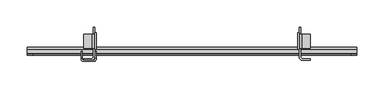
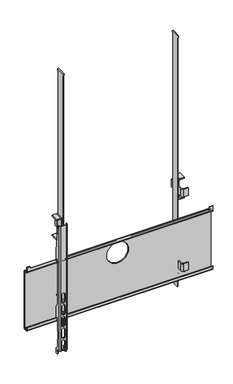
"""IFC4 building model written with IfcOpenShell, lengths in millimetres: furniture geometry."""

from ifc_helpers import new_model, si_unit, point, frame, frame_2d, origin, place, context, project, spatial, polyline, circle_curve, trimmed, segment, composite_curve, outline, extrude, source, transform, mapped, element, save
from ifc_brep_helpers import plane_surface, cylinder_surface, revolved_surface, advanced_brep


def furniture_d405d8c3(model_context):
    return source(origin(), model_context, "Body", "SolidModel", [
        advanced_brep(
        [(-188.4240729, -32.963622, 1415.6279085), (-190.424078, -34.9636271, 1415.6279085), (-209.4240856, -34.9636271, 1415.6279085), (-211.4240862, -32.9636266, 1415.6279085), (-211.4240862, -29.9636247, 1415.6279085), (-213.4240731, -29.9636247, 1415.6279085), (-213.4240731, -32.9636266, 1415.6279085), (-209.424072, -36.9636277, 1415.6279085), (-190.424078, -36.9636277, 1415.6279085), (-186.424086, -32.9636356, 1415.6279085), (-186.424086, -29.9636247, 1415.6279085), (-188.4240729, -29.9636247, 1415.6279085), (-213.4240731, -17.9636269, 977.3279177), (-211.4240862, -17.9636269, 977.3279177), (-211.4240862, -24.9636266, 977.3279177), (-213.4240731, -24.9636266, 977.3279177), (-188.4240729, -17.9636269, 977.3279177), (-186.424086, -17.9636269, 977.3279177), (-186.424086, -24.9636266, 977.3279177), (-188.4240729, -24.9636266, 977.3279177), (-186.424086, -32.9636356, 991.8279774), (-186.424086, -26.9636726, 991.8279774), (-186.424086, -22.963626, 987.8279308), (-186.424086, -22.963626, 983.3279148), (-186.424086, -26.9636272, 983.3279148), (-186.424086, -26.9636272, 979.3279182), (-186.424086, -17.9636269, 993.2278975), (-186.424086, -26.4636259, 1001.7278977), (-186.424086, -26.4636259, 1029.7697004), (-186.424086, -29.4636267, 1033.1510365), (-186.424086, -29.4636267, 1055.2279593), (-186.424086, -26.4636259, 1055.2279593), (-186.424086, -26.4636259, 1101.7279552), (-186.424086, -23.4636273, 1101.7279552), (-186.424086, -23.4636273, 1093.4779501), (-186.424086, -17.9636269, 1093.4779501), (-186.424086, -17.9636269, 1135.0055308), (-186.424086, -26.4636259, 1149.7279041), (-186.424086, -26.4636259, 1299.7278608), (-186.424086, -23.4636273, 1299.7278608), (-186.424086, -23.4636273, 1291.4779284), (-186.424086, -17.9636269, 1291.4779284), (-186.424086, -17.9636269, 1325.6279783), (-188.4240729, -17.9636269, 993.2278975), (-188.4240729, -17.9636269, 1093.4779501), (-188.4240729, -17.9636269, 1135.0055308), (-188.4240729, -17.9636269, 1291.4779284), (-188.4240729, -17.9636269, 1325.6279783), (-188.4240729, -23.4636273, 1291.4779284), (-188.4240729, -23.4636273, 1299.7278608), (-188.4240729, -26.4636259, 1299.7278608), (-188.4240729, -26.4636259, 1149.7279041), (-188.4240729, -23.4636273, 1093.4779501), (-188.4240729, -23.4636273, 1101.7279552), (-188.4240729, -26.4636259, 1101.7279552), (-188.4240729, -26.4636259, 1055.2279593), (-188.4240729, -29.4636267, 1055.2279593), (-188.4240729, -29.4636267, 1033.1510365), (-188.4240729, -26.4636259, 1029.7697004), (-188.4240729, -26.4636259, 1001.7278977), (-188.4240729, -26.9636272, 979.3279182), (-188.4240729, -26.9636272, 983.3279148), (-188.4240729, -22.963626, 983.3279148), (-188.4240729, -22.963626, 987.8279308), (-188.4240729, -26.9636726, 991.8279774), (-188.4240729, -32.963622, 991.8279774), (-190.424078, -34.9636271, 991.8279774), (-209.4240856, -34.9636271, 991.8279774), (-195.6740846, -34.9636271, 1157.4278984), (-195.6740846, -34.9636271, 1182.2279108), (-204.1740745, -34.9636271, 1182.2279108), (-204.1740745, -34.9636271, 1157.4278984), (-195.6740846, -34.9636271, 1117.4279417), (-195.6740846, -34.9636271, 1142.2279541), (-204.1740745, -34.9636271, 1142.2279541), (-204.1740745, -34.9636271, 1117.4279417), (-195.6740846, -34.9636271, 1077.4279123), (-195.6740846, -34.9636271, 1102.2279247), (-204.1740745, -34.9636271, 1102.2279247), (-204.1740745, -34.9636271, 1077.4279123), (-195.6740846, -34.9636271, 1037.427883), (-195.6740846, -34.9636271, 1062.2278954), (-204.1740745, -34.9636271, 1062.2278954), (-204.1740745, -34.9636271, 1037.427883), (-195.6740846, -34.9636271, 997.4279263), (-195.6740846, -34.9636271, 1022.2279387), (-204.1740745, -34.9636271, 1022.2279387), (-204.1740745, -34.9636271, 997.4279263), (-211.4240862, -32.9636266, 991.8279774), (-211.4240862, -26.9636726, 991.8279774), (-211.4240862, -22.963626, 987.8279308), (-211.4240862, -22.963626, 983.3279148), (-211.4240862, -26.9636272, 983.3279148), (-211.4240862, -26.9636272, 979.3279182), (-211.4240862, -17.9636269, 993.2278975), (-211.4240862, -26.4636259, 1001.7278977), (-211.4240862, -26.4636259, 1029.7697004), (-211.4240862, -29.4636267, 1033.1510365), (-211.4240862, -29.4636267, 1055.2279593), (-211.4240862, -26.4636259, 1055.2279593), (-211.4240862, -26.4636259, 1101.7279552), (-211.4240862, -23.4636273, 1101.7279552), (-211.4240862, -23.4636273, 1093.4779501), (-211.4240862, -17.9636269, 1093.4779501), (-211.4240862, -17.9636269, 1135.0055308), (-211.4240862, -26.4636259, 1149.7279041), (-211.4240862, -26.4636259, 1299.7278608), (-211.4240862, -23.4636273, 1299.7278608), (-211.4240862, -23.4636273, 1291.4779284), (-211.4240862, -17.9636269, 1291.4779284), (-211.4240862, -17.9636269, 1325.6279783), (-213.4240731, -17.9636269, 993.2278975), (-213.4240731, -17.9636269, 1093.4779501), (-213.4240731, -17.9636269, 1135.0055308), (-213.4240731, -17.9636269, 1291.4779284), (-213.4240731, -17.9636269, 1325.6279783), (-213.4240731, -23.4636273, 1291.4779284), (-213.4240731, -23.4636273, 1299.7278608), (-213.4240731, -26.4636259, 1299.7278608), (-213.4240731, -26.4636259, 1149.7279041), (-213.4240731, -23.4636273, 1093.4779501), (-213.4240731, -23.4636273, 1101.7279552), (-213.4240731, -26.4636259, 1101.7279552), (-213.4240731, -26.4636259, 1055.2279593), (-213.4240731, -29.4636267, 1055.2279593), (-213.4240731, -29.4636267, 1033.1510365), (-213.4240731, -26.4636259, 1029.7697004), (-213.4240731, -26.4636259, 1001.7278977), (-213.4240731, -26.9636272, 979.3279182), (-213.4240731, -26.9636272, 983.3279148), (-213.4240731, -22.963626, 983.3279148), (-213.4240731, -22.963626, 987.8279308), (-213.4240731, -26.9636726, 991.8279774), (-213.4240731, -32.9636266, 991.8279774), (-209.424072, -36.9636277, 991.8279774), (-190.424078, -36.9636277, 991.8279774), (-195.6740846, -36.9636277, 1182.2279108), (-195.6740846, -36.9636277, 1157.4278984), (-204.1740745, -36.9636277, 1157.4278984), (-204.1740745, -36.9636277, 1182.2279108), (-195.6740846, -36.9636277, 1142.2279541), (-195.6740846, -36.9636277, 1117.4279417), (-204.1740745, -36.9636277, 1117.4279417), (-204.1740745, -36.9636277, 1142.2279541), (-195.6740846, -36.9636277, 1102.2279247), (-195.6740846, -36.9636277, 1077.4279123), (-204.1740745, -36.9636277, 1077.4279123), (-204.1740745, -36.9636277, 1102.2279247), (-195.6740846, -36.9636277, 1062.2278954), (-195.6740846, -36.9636277, 1037.427883), (-204.1740745, -36.9636277, 1037.427883), (-204.1740745, -36.9636277, 1062.2278954), (-195.6740846, -36.9636277, 1022.2279387), (-195.6740846, -36.9636277, 997.4279263), (-204.1740745, -36.9636277, 997.4279263), (-204.1740745, -36.9636277, 1022.2279387)],
        [
            (0, 1, circle_curve(frame((-190.424078, -32.963622, 1415.6279085), z_axis=(0.0, 0.0, -1.0), x_axis=(1.0, 0.0, 0.0)), 2.0000051)),
            (1, 2),
            (2, 3, circle_curve(frame((-209.4240856, -32.9636266, 1415.6279085), z_axis=(0.0, 0.0, -1.0), x_axis=(1.0, 0.0, 0.0)), 2.0000006)),
            (3, 4),
            (4, 5),
            (5, 6),
            (6, 7, circle_curve(frame((-209.424072, -32.9636266, 1415.6279085), z_axis=(0.0, 0.0, 1.0), x_axis=(1.0, 0.0, 0.0)), 4.0000011)),
            (7, 8),
            (8, 9, circle_curve(frame((-190.424078, -32.9636356, 1415.6279085), z_axis=(0.0, 0.0, 1.0), x_axis=(1.0, 0.0, 0.0)), 3.999992)),
            (9, 10),
            (10, 11),
            (11, 0),
            (12, 13),
            (13, 14),
            (14, 15),
            (15, 12),
            (16, 17),
            (17, 18),
            (18, 19),
            (19, 16),
            (9, 20),
            (20, 21),
            (21, 22, circle_curve(frame((-186.424086, -26.9636726, 987.8279308), z_axis=(-1.0, 0.0, 0.0), x_axis=(0.0, -1.0, 0.0)), 4.0000465)),
            (22, 23),
            (23, 24),
            (24, 25),
            (25, 18, circle_curve(frame((-186.424086, -24.9636266, 979.3279182), z_axis=(1.0, 0.0, 0.0), x_axis=(0.0, -1.0, 0.0)), 2.0000006)),
            (17, 26),
            (26, 27),
            (27, 28),
            (28, 29),
            (29, 30),
            (30, 31),
            (31, 32),
            (32, 33),
            (33, 34),
            (34, 35, circle_curve(frame((-186.424086, -20.7136271, 1093.4779501), z_axis=(1.0, 0.0, 0.0), x_axis=(0.0, -1.0, 0.0)), 2.7500002)),
            (35, 36),
            (36, 37),
            (37, 38),
            (38, 39),
            (39, 40),
            (40, 41, circle_curve(frame((-186.424086, -20.7136271, 1291.4779284), z_axis=(1.0, 0.0, 0.0), x_axis=(0.0, -1.0, 0.0)), 2.7500002)),
            (41, 42),
            (42, 10),
            (16, 43),
            (43, 26),
            (35, 44),
            (44, 45),
            (45, 36),
            (41, 46),
            (46, 47),
            (47, 42),
            (11, 47),
            (46, 48, circle_curve(frame((-188.4240729, -20.7136271, 1291.4779284), z_axis=(-1.0, 0.0, 0.0), x_axis=(0.0, -1.0, 0.0)), 2.7500002)),
            (48, 49),
            (49, 50),
            (50, 51),
            (51, 45),
            (44, 52, circle_curve(frame((-188.4240729, -20.7136271, 1093.4779501), z_axis=(-1.0, 0.0, 0.0), x_axis=(0.0, -1.0, 0.0)), 2.7500002)),
            (52, 53),
            (53, 54),
            (54, 55),
            (55, 56),
            (56, 57),
            (57, 58),
            (58, 59),
            (59, 43),
            (19, 60, circle_curve(frame((-188.4240729, -24.9636266, 979.3279182), z_axis=(-1.0, 0.0, 0.0), x_axis=(0.0, -1.0, 0.0)), 2.0000006)),
            (60, 61),
            (61, 62),
            (62, 63),
            (63, 64, circle_curve(frame((-188.4240729, -26.9636726, 987.8279308), z_axis=(1.0, 0.0, 0.0), x_axis=(0.0, -1.0, 0.0)), 4.0000465)),
            (64, 65),
            (65, 0),
            (65, 66, circle_curve(frame((-190.424078, -32.963622, 991.8279774), z_axis=(0.0, 0.0, -1.0), x_axis=(1.0, 0.0, 0.0)), 2.0000051)),
            (66, 1),
            (66, 67),
            (67, 2),
            (68, 69),
            (69, 70, circle_curve(frame((-199.9240796, -34.9636271, 1182.2279108), z_axis=(0.0, -1.0, 0.0), x_axis=(1.0, 0.0, 0.0)), 4.2499949)),
            (70, 71),
            (71, 68, circle_curve(frame((-199.9240796, -34.9636271, 1157.4278984), z_axis=(0.0, -1.0, 0.0), x_axis=(1.0, 0.0, 0.0)), 4.2499949)),
            (72, 73),
            (73, 74, circle_curve(frame((-199.9240796, -34.9636271, 1142.2279541), z_axis=(0.0, -1.0, 0.0), x_axis=(1.0, 0.0, 0.0)), 4.2499949)),
            (74, 75),
            (75, 72, circle_curve(frame((-199.9240796, -34.9636271, 1117.4279417), z_axis=(0.0, -1.0, 0.0), x_axis=(1.0, 0.0, 0.0)), 4.2499949)),
            (76, 77),
            (77, 78, circle_curve(frame((-199.9240796, -34.9636271, 1102.2279247), z_axis=(0.0, -1.0, 0.0), x_axis=(1.0, 0.0, 0.0)), 4.2499949)),
            (78, 79),
            (79, 76, circle_curve(frame((-199.9240796, -34.9636271, 1077.4279123), z_axis=(0.0, -1.0, 0.0), x_axis=(1.0, 0.0, 0.0)), 4.2499949)),
            (80, 81),
            (81, 82, circle_curve(frame((-199.9240796, -34.9636271, 1062.2278954), z_axis=(0.0, -1.0, 0.0), x_axis=(1.0, 0.0, 0.0)), 4.2499949)),
            (82, 83),
            (83, 80, circle_curve(frame((-199.9240796, -34.9636271, 1037.427883), z_axis=(0.0, -1.0, 0.0), x_axis=(1.0, 0.0, 0.0)), 4.2499949)),
            (84, 85),
            (85, 86, circle_curve(frame((-199.9240796, -34.9636271, 1022.2279387), z_axis=(0.0, -1.0, 0.0), x_axis=(1.0, 0.0, 0.0)), 4.2499949)),
            (86, 87),
            (87, 84, circle_curve(frame((-199.9240796, -34.9636271, 997.4279263), z_axis=(0.0, -1.0, 0.0), x_axis=(1.0, 0.0, 0.0)), 4.2499949)),
            (67, 88, circle_curve(frame((-209.4240856, -32.9636266, 991.8279774), z_axis=(0.0, 0.0, -1.0), x_axis=(1.0, 0.0, 0.0)), 2.0000006)),
            (88, 3),
            (88, 89),
            (89, 90, circle_curve(frame((-211.4240862, -26.9636726, 987.8279308), z_axis=(-1.0, 0.0, 0.0), x_axis=(0.0, -1.0, 0.0)), 4.0000465)),
            (90, 91),
            (91, 92),
            (92, 93),
            (93, 14, circle_curve(frame((-211.4240862, -24.9636266, 979.3279182), z_axis=(1.0, 0.0, 0.0), x_axis=(0.0, -1.0, 0.0)), 2.0000006)),
            (13, 94),
            (94, 95),
            (95, 96),
            (96, 97),
            (97, 98),
            (98, 99),
            (99, 100),
            (100, 101),
            (101, 102),
            (102, 103, circle_curve(frame((-211.4240862, -20.7136271, 1093.4779501), z_axis=(1.0, 0.0, 0.0), x_axis=(0.0, -1.0, 0.0)), 2.7500002)),
            (103, 104),
            (104, 105),
            (105, 106),
            (106, 107),
            (107, 108),
            (108, 109, circle_curve(frame((-211.4240862, -20.7136271, 1291.4779284), z_axis=(1.0, 0.0, 0.0), x_axis=(0.0, -1.0, 0.0)), 2.7500002)),
            (109, 110),
            (110, 4),
            (12, 111),
            (111, 94),
            (103, 112),
            (112, 113),
            (113, 104),
            (109, 114),
            (114, 115),
            (115, 110),
            (5, 115),
            (114, 116, circle_curve(frame((-213.4240731, -20.7136271, 1291.4779284), z_axis=(-1.0, 0.0, 0.0), x_axis=(0.0, -1.0, 0.0)), 2.7500002)),
            (116, 117),
            (117, 118),
            (118, 119),
            (119, 113),
            (112, 120, circle_curve(frame((-213.4240731, -20.7136271, 1093.4779501), z_axis=(-1.0, 0.0, 0.0), x_axis=(0.0, -1.0, 0.0)), 2.7500002)),
            (120, 121),
            (121, 122),
            (122, 123),
            (123, 124),
            (124, 125),
            (125, 126),
            (126, 127),
            (127, 111),
            (15, 128, circle_curve(frame((-213.4240731, -24.9636266, 979.3279182), z_axis=(-1.0, 0.0, 0.0), x_axis=(0.0, -1.0, 0.0)), 2.0000006)),
            (128, 129),
            (129, 130),
            (130, 131),
            (131, 132, circle_curve(frame((-213.4240731, -26.9636726, 987.8279308), z_axis=(1.0, 0.0, 0.0), x_axis=(0.0, -1.0, 0.0)), 4.0000465)),
            (132, 133),
            (133, 6),
            (133, 134, circle_curve(frame((-209.424072, -32.9636266, 991.8279774), z_axis=(0.0, 0.0, 1.0), x_axis=(1.0, 0.0, 0.0)), 4.0000011)),
            (134, 7),
            (134, 135),
            (135, 8),
            (136, 137),
            (137, 138, circle_curve(frame((-199.9240796, -36.9636277, 1157.4278984), z_axis=(0.0, 1.0, 0.0), x_axis=(1.0, 0.0, 0.0)), 4.2499949)),
            (138, 139),
            (139, 136, circle_curve(frame((-199.9240796, -36.9636277, 1182.2279108), z_axis=(0.0, 1.0, 0.0), x_axis=(1.0, 0.0, 0.0)), 4.2499949)),
            (140, 141),
            (141, 142, circle_curve(frame((-199.9240796, -36.9636277, 1117.4279417), z_axis=(0.0, 1.0, 0.0), x_axis=(1.0, 0.0, 0.0)), 4.2499949)),
            (142, 143),
            (143, 140, circle_curve(frame((-199.9240796, -36.9636277, 1142.2279541), z_axis=(0.0, 1.0, 0.0), x_axis=(1.0, 0.0, 0.0)), 4.2499949)),
            (144, 145),
            (145, 146, circle_curve(frame((-199.9240796, -36.9636277, 1077.4279123), z_axis=(0.0, 1.0, 0.0), x_axis=(1.0, 0.0, 0.0)), 4.2499949)),
            (146, 147),
            (147, 144, circle_curve(frame((-199.9240796, -36.9636277, 1102.2279247), z_axis=(0.0, 1.0, 0.0), x_axis=(1.0, 0.0, 0.0)), 4.2499949)),
            (148, 149),
            (149, 150, circle_curve(frame((-199.9240796, -36.9636277, 1037.427883), z_axis=(0.0, 1.0, 0.0), x_axis=(1.0, 0.0, 0.0)), 4.2499949)),
            (150, 151),
            (151, 148, circle_curve(frame((-199.9240796, -36.9636277, 1062.2278954), z_axis=(0.0, 1.0, 0.0), x_axis=(1.0, 0.0, 0.0)), 4.2499949)),
            (152, 153),
            (153, 154, circle_curve(frame((-199.9240796, -36.9636277, 997.4279263), z_axis=(0.0, 1.0, 0.0), x_axis=(1.0, 0.0, 0.0)), 4.2499949)),
            (154, 155),
            (155, 152, circle_curve(frame((-199.9240796, -36.9636277, 1022.2279387), z_axis=(0.0, 1.0, 0.0), x_axis=(1.0, 0.0, 0.0)), 4.2499949)),
            (135, 20, circle_curve(frame((-190.424078, -32.9636356, 991.8279774), z_axis=(0.0, 0.0, 1.0), x_axis=(1.0, 0.0, 0.0)), 3.999992)),
            (50, 38),
            (37, 51),
            (118, 106),
            (105, 119),
            (40, 48),
            (108, 116),
            (39, 49),
            (107, 117),
            (54, 32),
            (31, 55),
            (122, 100),
            (99, 123),
            (30, 56),
            (98, 124),
            (29, 57),
            (97, 125),
            (28, 58),
            (96, 126),
            (27, 59),
            (95, 127),
            (34, 52),
            (102, 120),
            (33, 53),
            (101, 121),
            (64, 21),
            (132, 89),
            (25, 60),
            (93, 128),
            (24, 61),
            (92, 129),
            (23, 62),
            (91, 130),
            (22, 63),
            (90, 131),
            (68, 137),
            (136, 69),
            (139, 70),
            (138, 71),
            (72, 141),
            (140, 73),
            (143, 74),
            (142, 75),
            (76, 145),
            (144, 77),
            (147, 78),
            (146, 79),
            (80, 149),
            (148, 81),
            (151, 82),
            (150, 83),
            (84, 153),
            (152, 85),
            (155, 86),
            (154, 87),
        ],
        [
            plane_surface(frame((-186.424086, -18.1390681, 1415.6279085), z_axis=(0.0, 0.0, 1.0), x_axis=(0.0, 1.0, 0.0))),
            plane_surface(frame((-186.424086, -18.1390681, 977.3279177), z_axis=(0.0, 0.0, -1.0), x_axis=(0.0, -1.0, 0.0))),
            plane_surface(frame((-186.424086, -32.9636356, 1415.6279085), z_axis=(1.0, 0.0, 0.0), x_axis=(0.0, 0.0, -1.0))),
            plane_surface(frame((-186.424086, -17.9636269, 1415.6279085), z_axis=(0.0, 1.0, 0.0), x_axis=(0.0, 0.0, -1.0))),
            plane_surface(frame((-188.4240729, -17.9636269, 1415.6279085), z_axis=(-1.0, 0.0, 0.0), x_axis=(0.0, 0.0, -1.0))),
            revolved_surface(polyline([(-188.4240729, -32.963622, 991.8279774), (-188.4240729, -32.963622, 1415.6279085)]), (-190.424078, -32.963622, 977.3279177), (0.0, 0.0, -1.0)),
            plane_surface(frame((-190.424078, -34.9636271, 1415.6279085), z_axis=(0.0, 1.0, 0.0), x_axis=(0.0, 0.0, -1.0))),
            revolved_surface(polyline([(-207.42408500000002, -32.9636266, 991.8279774), (-207.42408500000002, -32.9636266, 1415.6279085)]), (-209.4240856, -32.9636266, 977.3279177), (0.0, 0.0, -1.0)),
            plane_surface(frame((-211.4240862, -32.9636266, 1415.6279085), z_axis=(1.0, 0.0, 0.0), x_axis=(0.0, 0.0, -1.0))),
            plane_surface(frame((-211.4240862, -17.9636269, 1415.6279085), z_axis=(0.0, 1.0, 0.0), x_axis=(0.0, 0.0, -1.0))),
            plane_surface(frame((-213.4240731, -17.9636269, 1415.6279085), z_axis=(-1.0, 0.0, 0.0), x_axis=(0.0, 0.0, -1.0))),
            cylinder_surface(frame((-209.424072, -32.9636266, 977.3279177), z_axis=(0.0, 0.0, 1.0), x_axis=(1.0, 0.0, 0.0)), 4.0000011),
            plane_surface(frame((-209.424072, -36.9636277, 1415.6279085), z_axis=(0.0, -1.0, 0.0), x_axis=(0.0, 0.0, -1.0))),
            cylinder_surface(frame((-190.424078, -32.9636356, 977.3279177), z_axis=(0.0, 0.0, 1.0), x_axis=(1.0, 0.0, 0.0)), 3.999992),
            plane_surface(frame((226.6458366, -29.9636247, 1415.6279085), z_axis=(0.0, 0.9912278903845622, 0.13216379732653882), x_axis=(-1.0, 0.0, 0.0))),
            plane_surface(frame((226.6458366, -26.4636259, 1299.7278608), z_axis=(0.0, 1.0, 0.0), x_axis=(-1.0, 0.0, 0.0))),
            plane_surface(frame((226.6458366, -26.4636259, 1149.7279041), z_axis=(0.0, 0.8660245695453659, 0.5000014449416761), x_axis=(-1.0, 0.0, 0.0))),
            cylinder_surface(frame((0.0, -20.7136271, 1291.4779284), z_axis=(-1.0, 0.0, 0.0), x_axis=(0.0, -1.0, 0.0)), 2.7500002),
            plane_surface(frame((226.6458366, -23.4636273, 1291.4779284), z_axis=(0.0, -1.0, 0.0), x_axis=(-1.0, 0.0, 0.0))),
            plane_surface(frame((226.6458366, -23.4636273, 1299.7278608), z_axis=(0.0, 0.0, -1.0), x_axis=(-1.0, 0.0, 0.0))),
            plane_surface(frame((226.6458366, -26.4636259, 1101.7279552), z_axis=(0.0, 1.0, 0.0), x_axis=(-1.0, 0.0, 0.0))),
            plane_surface(frame((226.6458366, -26.4636259, 1055.2279593), z_axis=(0.0, 0.0, -1.0), x_axis=(-1.0, 0.0, 0.0))),
            plane_surface(frame((226.6458366, -29.4636267, 1055.2279593), z_axis=(0.0, 1.0, 0.0), x_axis=(-1.0, 0.0, 0.0))),
            plane_surface(frame((226.6458366, -29.4636267, 1033.1510365), z_axis=(0.0, 0.7480275709207617, 0.6636676526262109), x_axis=(-1.0, 0.0, 0.0))),
            plane_surface(frame((226.6458366, -26.4636259, 1029.7697004), z_axis=(0.0, 1.0, 0.0), x_axis=(-1.0, 0.0, 0.0))),
            plane_surface(frame((226.6458366, -26.4636259, 1001.7278977), z_axis=(0.0, 0.7071068328679035, 0.7071067295051878), x_axis=(-1.0, 0.0, 0.0))),
            cylinder_surface(frame((0.0, -20.7136271, 1093.4779501), z_axis=(-1.0, 0.0, 0.0), x_axis=(0.0, -1.0, 0.0)), 2.7500002),
            plane_surface(frame((226.6458366, -23.4636273, 1093.4779501), z_axis=(0.0, -1.0, 0.0), x_axis=(-1.0, 0.0, 0.0))),
            plane_surface(frame((226.6458366, -23.4636273, 1101.7279552), z_axis=(0.0, 0.0, -1.0), x_axis=(-1.0, 0.0, 0.0))),
            plane_surface(frame((226.6458366, -26.9636726, 991.8279774), z_axis=(0.0, 0.0, -1.0), x_axis=(-1.0, 0.0, 0.0))),
            cylinder_surface(frame((0.0, -24.9636266, 979.3279182), z_axis=(-1.0, 0.0, 0.0), x_axis=(0.0, -1.0, 0.0)), 2.0000006),
            plane_surface(frame((226.6458366, -26.9636272, 979.3279182), z_axis=(0.0, -1.0, 0.0), x_axis=(-1.0, 0.0, 0.0))),
            plane_surface(frame((226.6458366, -26.9636272, 983.3279148), z_axis=(0.0, 0.0, 1.0), x_axis=(-1.0, 0.0, 0.0))),
            plane_surface(frame((226.6458366, -22.963626, 983.3279148), z_axis=(0.0, -1.0, 0.0), x_axis=(-1.0, 0.0, 0.0))),
            revolved_surface(polyline([(-186.424086, -30.9637191, 987.8279308), (-188.4240729, -30.9637191, 987.8279308)]), (0.0, -26.9636726, 987.8279308), (1.0, 0.0, 0.0)),
            revolved_surface(polyline([(-211.4240862, -30.9637191, 987.8279308), (-213.4240731, -30.9637191, 987.8279308)]), (0.0, -26.9636726, 987.8279308), (1.0, 0.0, 0.0)),
            plane_surface(frame((-195.6740846, -43.4479611, 1157.4278984), z_axis=(-1.0, 0.0, 0.0), x_axis=(0.0, 1.0, 0.0))),
            revolved_surface(polyline([(-195.6740847, -36.9636277, 1182.2279108), (-195.6740847, -34.9636271, 1182.2279108)]), (-199.9240796, -32.0423365, 1182.2279108), (0.0, -1.0, 0.0)),
            plane_surface(frame((-204.1740745, -43.4479611, 1182.2279108), z_axis=(1.0, 0.0, 0.0), x_axis=(0.0, 1.0, 0.0))),
            revolved_surface(polyline([(-195.6740847, -36.9636277, 1157.4278984), (-195.6740847, -34.9636271, 1157.4278984)]), (-199.9240796, -32.0423365, 1157.4278984), (0.0, -1.0, 0.0)),
            plane_surface(frame((-195.6740846, -43.4479611, 1117.4279417), z_axis=(-1.0, 0.0, 0.0), x_axis=(0.0, 1.0, 0.0))),
            revolved_surface(polyline([(-195.6740847, -36.9636277, 1142.2279541), (-195.6740847, -34.9636271, 1142.2279541)]), (-199.9240796, 0.0, 1142.2279541), (0.0, -1.0, 0.0)),
            plane_surface(frame((-204.1740745, -43.4479611, 1142.2279541), z_axis=(1.0, 0.0, 0.0), x_axis=(0.0, 1.0, 0.0))),
            revolved_surface(polyline([(-195.6740847, -36.9636277, 1117.4279417), (-195.6740847, -34.9636271, 1117.4279417)]), (-199.9240796, 0.0, 1117.4279417), (0.0, -1.0, 0.0)),
            plane_surface(frame((-195.6740846, -43.4479611, 1077.4279123), z_axis=(-1.0, 0.0, 0.0), x_axis=(0.0, 1.0, 0.0))),
            revolved_surface(polyline([(-195.6740847, -36.9636277, 1102.2279247), (-195.6740847, -34.9636271, 1102.2279247)]), (-199.9240796, 0.0, 1102.2279247), (0.0, -1.0, 0.0)),
            plane_surface(frame((-204.1740745, -43.4479611, 1102.2279247), z_axis=(1.0, 0.0, 0.0), x_axis=(0.0, 1.0, 0.0))),
            revolved_surface(polyline([(-195.6740847, -36.9636277, 1077.4279123), (-195.6740847, -34.9636271, 1077.4279123)]), (-199.9240796, 0.0, 1077.4279123), (0.0, -1.0, 0.0)),
            plane_surface(frame((-195.6740846, -43.4479611, 1037.427883), z_axis=(-1.0, 0.0, 0.0), x_axis=(0.0, 1.0, 0.0))),
            revolved_surface(polyline([(-195.6740847, -36.9636277, 1062.2278954), (-195.6740847, -34.9636271, 1062.2278954)]), (-199.9240796, 0.0, 1062.2278954), (0.0, -1.0, 0.0)),
            plane_surface(frame((-204.1740745, -43.4479611, 1062.2278954), z_axis=(1.0, 0.0, 0.0), x_axis=(0.0, 1.0, 0.0))),
            revolved_surface(polyline([(-195.6740847, -36.9636277, 1037.427883), (-195.6740847, -34.9636271, 1037.427883)]), (-199.9240796, 0.0, 1037.427883), (0.0, -1.0, 0.0)),
            plane_surface(frame((-195.6740846, -43.4479611, 997.4279263), z_axis=(-1.0, 0.0, 0.0), x_axis=(0.0, 1.0, 0.0))),
            revolved_surface(polyline([(-195.6740847, -36.9636277, 1022.2279387), (-195.6740847, -34.9636271, 1022.2279387)]), (-199.9240796, 0.0, 1022.2279387), (0.0, -1.0, 0.0)),
            plane_surface(frame((-204.1740745, -43.4479611, 1022.2279387), z_axis=(1.0, 0.0, 0.0), x_axis=(0.0, 1.0, 0.0))),
            revolved_surface(polyline([(-195.6740847, -36.9636277, 997.4279263), (-195.6740847, -34.9636271, 997.4279263)]), (-199.9240796, 0.0, 997.4279263), (0.0, -1.0, 0.0)),
        ],
        [
            (0, [[1, 2, 3, 4, 5, 6, 7, 8, 9, 10, 11, 12]]),
            (1, [[13, 14, 15, 16]]),
            (1, [[17, 18, 19, 20]]),
            (2, [[-10, 21, 22, 23, 24, 25, 26, 27, -18, 28, 29, 30, 31, 32, 33, 34, 35, 36, 37, 38, 39, 40, 41, 42, 43, 44, 45]]),
            (3, [[-17, 46, 47, -28]]),
            (3, [[-38, 48, 49, 50]]),
            (3, [[-44, 51, 52, 53]]),
            (4, [[-12, 54, -52, 55, 56, 57, 58, 59, -49, 60, 61, 62, 63, 64, 65, 66, 67, 68, -46, -20, 69, 70, 71, 72, 73, 74, 75]]),
            (5, [[-1, -75, 76, 77]]),
            (6, [[-2, -77, 78, 79], [80, 81, 82, 83], [84, 85, 86, 87], [88, 89, 90, 91], [92, 93, 94, 95], [96, 97, 98, 99]]),
            (7, [[-3, -79, 100, 101]]),
            (8, [[-4, -101, 102, 103, 104, 105, 106, 107, -14, 108, 109, 110, 111, 112, 113, 114, 115, 116, 117, 118, 119, 120, 121, 122, 123, 124, 125]]),
            (9, [[-13, 126, 127, -108]]),
            (9, [[-118, 128, 129, 130]]),
            (9, [[-124, 131, 132, 133]]),
            (10, [[-6, 134, -132, 135, 136, 137, 138, 139, -129, 140, 141, 142, 143, 144, 145, 146, 147, 148, -126, -16, 149, 150, 151, 152, 153, 154, 155]]),
            (11, [[-7, -155, 156, 157]]),
            (12, [[-8, -157, 158, 159], [160, 161, 162, 163], [164, 165, 166, 167], [168, 169, 170, 171], [172, 173, 174, 175], [176, 177, 178, 179]]),
            (13, [[-9, -159, 180, -21]]),
            (14, [[-5, -125, -133, -134]]),
            (14, [[-11, -45, -53, -54]]),
            (15, [[181, -40, 182, -58]]),
            (15, [[183, -120, 184, -138]]),
            (16, [[-182, -39, -50, -59]]),
            (16, [[-184, -119, -130, -139]]),
            (17, [[185, -55, -51, -43]]),
            (17, [[186, -135, -131, -123]]),
            (18, [[-185, -42, 187, -56]]),
            (18, [[-186, -122, 188, -136]]),
            (19, [[-181, -57, -187, -41]]),
            (19, [[-183, -137, -188, -121]]),
            (20, [[189, -34, 190, -63]]),
            (20, [[191, -114, 192, -143]]),
            (21, [[-190, -33, 193, -64]]),
            (21, [[-192, -113, 194, -144]]),
            (22, [[-193, -32, 195, -65]]),
            (22, [[-194, -112, 196, -145]]),
            (23, [[-195, -31, 197, -66]]),
            (23, [[-196, -111, 198, -146]]),
            (24, [[-197, -30, 199, -67]]),
            (24, [[-198, -110, 200, -147]]),
            (25, [[-199, -29, -47, -68]]),
            (25, [[-200, -109, -127, -148]]),
            (26, [[201, -60, -48, -37]]),
            (26, [[202, -140, -128, -117]]),
            (27, [[-201, -36, 203, -61]]),
            (27, [[-202, -116, 204, -141]]),
            (28, [[-189, -62, -203, -35]]),
            (28, [[-191, -142, -204, -115]]),
            (29, [[205, -22, -180, -158, -156, -154, 206, -102, -100, -78, -76, -74]]),
            (30, [[207, -69, -19, -27]]),
            (30, [[208, -149, -15, -107]]),
            (31, [[-207, -26, 209, -70]]),
            (31, [[-208, -106, 210, -150]]),
            (32, [[-209, -25, 211, -71]]),
            (32, [[-210, -105, 212, -151]]),
            (33, [[-211, -24, 213, -72]]),
            (33, [[-212, -104, 214, -152]]),
            (34, [[-205, -73, -213, -23]]),
            (35, [[-206, -153, -214, -103]]),
            (36, [[215, -160, 216, -80]]),
            (37, [[-216, -163, 217, -81]]),
            (38, [[-217, -162, 218, -82]]),
            (39, [[-215, -83, -218, -161]]),
            (40, [[219, -164, 220, -84]]),
            (41, [[-220, -167, 221, -85]]),
            (42, [[-221, -166, 222, -86]]),
            (43, [[-219, -87, -222, -165]]),
            (44, [[223, -168, 224, -88]]),
            (45, [[-224, -171, 225, -89]]),
            (46, [[-225, -170, 226, -90]]),
            (47, [[-223, -91, -226, -169]]),
            (48, [[227, -172, 228, -92]]),
            (49, [[-228, -175, 229, -93]]),
            (50, [[-229, -174, 230, -94]]),
            (51, [[-227, -95, -230, -173]]),
            (52, [[231, -176, 232, -96]]),
            (53, [[-232, -179, 233, -97]]),
            (54, [[-233, -178, 234, -98]]),
            (55, [[-231, -99, -234, -177]]),
        ],
    ),
        advanced_brep(
        [(288.4141906, -25.9636269, 1290.7279287), (288.4141906, -21.9636258, 1286.7279276), (288.4141906, -14.9636499, 1286.7279276), (288.4141906, -12.9636266, 1284.7279043), (288.4141906, -12.9636266, 1092.7279232), (288.4141906, -14.9636499, 1090.7278999), (288.4141906, -21.9636258, 1090.7278999), (288.4141906, -23.9636263, 1092.7279005), (288.4141906, -23.9636263, 1100.7279436), (288.4141906, -25.9636269, 1100.7279436), (288.4141906, -25.9636269, 1092.7279232), (288.4141906, -21.9636258, 1088.7279493), (288.4141906, -14.9436578, 1088.7279493), (288.4141906, -10.9636261, 1092.7279232), (288.4141906, -10.9636261, 1284.7279043), (288.4141906, -14.9636726, 1288.7279509), (288.4141906, -21.9636258, 1288.7279509), (288.4141906, -23.9636263, 1290.7279514), (288.4141906, -23.9636263, 1305.7279306), (288.4141906, -25.9636269, 1305.7279306), (-311.585814, -25.9636269, 1290.7279287), (-311.585814, -25.9636269, 1305.7279306), (-311.585814, -23.9636263, 1305.7279306), (-311.585814, -23.9636263, 1290.7279514), (-311.585814, -21.9636258, 1288.7279509), (-311.585814, -14.9636726, 1288.7279509), (-311.585814, -10.9636261, 1284.7279043), (-311.585814, -10.9636261, 1092.7279232), (-311.585814, -14.9436578, 1088.7279493), (-311.585814, -21.9636258, 1088.7279493), (-311.585814, -25.9635769, 1092.7279005), (-311.585814, -25.9636269, 1100.7279436), (-311.585814, -23.9636263, 1100.7279436), (-311.585814, -23.9636263, 1092.7279005), (-311.585814, -21.9636258, 1090.7278999), (-311.585814, -14.9636499, 1090.7278999), (-311.585814, -12.9636266, 1092.7279232), (-311.585814, -12.9636266, 1284.7279043), (-311.585814, -14.9636499, 1286.7279276), (-311.585814, -21.9636258, 1286.7279276), (23.4141561, -12.9636266, 1244.7278749), (-46.5857863, -12.9636266, 1244.7278749), (-46.5857863, -10.9636261, 1244.7278749), (23.4141561, -10.9636261, 1244.7278749), (-301.5858067, -23.9636263, 1305.7279306), (-301.5858067, -23.9636263, 1299.7278608), (278.4141832, -23.9636263, 1299.7278608), (278.4141832, -23.9636263, 1305.7279306), (278.4141832, -25.9636269, 1305.7279306), (-301.5858067, -25.9636269, 1305.7279306), (278.4141832, -25.9636269, 1299.7278608), (-301.5858067, -25.9636269, 1299.7278608)],
        [
            (0, 1, circle_curve(frame((288.4141906, -21.9636258, 1290.7279287), z_axis=(1.0, 0.0, 0.0), x_axis=(0.0, -1.0, 0.0)), 4.0000011)),
            (1, 2),
            (2, 3, circle_curve(frame((288.4141906, -14.9636499, 1284.7279043), z_axis=(-1.0, 0.0, 0.0), x_axis=(0.0, -1.0, 0.0)), 2.0000233)),
            (3, 4),
            (4, 5, circle_curve(frame((288.4141906, -14.9636499, 1092.7279232), z_axis=(-1.0, 0.0, 0.0), x_axis=(0.0, -1.0, 0.0)), 2.0000233)),
            (5, 6),
            (6, 7, circle_curve(frame((288.4141906, -21.9636258, 1092.7279005), z_axis=(-1.0, 0.0, 0.0), x_axis=(0.0, -1.0, 0.0)), 2.0000006)),
            (7, 8),
            (8, 9),
            (9, 10),
            (10, 11, circle_curve(frame((288.4141906, -21.9636258, 1092.7279005), z_axis=(1.0, 0.0, 0.0), x_axis=(0.0, -1.0, 0.0)), 3.9999512)),
            (11, 12),
            (12, 13, circle_curve(frame((288.4141906, -14.9636499, 1092.7279232), z_axis=(1.0, 0.0, 0.0), x_axis=(0.0, -1.0, 0.0)), 4.0000238)),
            (13, 14),
            (14, 15, circle_curve(frame((288.4141906, -14.9636726, 1284.7279043), z_axis=(1.0, 0.0, 0.0), x_axis=(0.0, -1.0, 0.0)), 4.0000465)),
            (15, 16),
            (16, 17, circle_curve(frame((288.4141906, -21.9636258, 1290.7279514), z_axis=(-1.0, 0.0, 0.0), x_axis=(0.0, -1.0, 0.0)), 2.0000006)),
            (17, 18),
            (18, 19),
            (19, 0),
            (20, 21),
            (21, 22),
            (22, 23),
            (23, 24, circle_curve(frame((-311.585814, -21.9636258, 1290.7279514), z_axis=(1.0, 0.0, 0.0), x_axis=(0.0, -1.0, 0.0)), 2.0000006)),
            (24, 25),
            (25, 26, circle_curve(frame((-311.585814, -14.9636726, 1284.7279043), z_axis=(-1.0, 0.0, 0.0), x_axis=(0.0, -1.0, 0.0)), 4.0000465)),
            (26, 27),
            (27, 28, circle_curve(frame((-311.585814, -14.9636499, 1092.7279232), z_axis=(-1.0, 0.0, 0.0), x_axis=(0.0, -1.0, 0.0)), 4.0000238)),
            (28, 29),
            (29, 30, circle_curve(frame((-311.585814, -21.9636258, 1092.7279005), z_axis=(-1.0, 0.0, 0.0), x_axis=(0.0, -1.0, 0.0)), 3.9999512)),
            (30, 31),
            (31, 32),
            (32, 33),
            (33, 34, circle_curve(frame((-311.585814, -21.9636258, 1092.7279005), z_axis=(1.0, 0.0, 0.0), x_axis=(0.0, -1.0, 0.0)), 2.0000006)),
            (34, 35),
            (35, 36, circle_curve(frame((-311.585814, -14.9636499, 1092.7279232), z_axis=(1.0, 0.0, 0.0), x_axis=(0.0, -1.0, 0.0)), 2.0000233)),
            (36, 37),
            (37, 38, circle_curve(frame((-311.585814, -14.9636499, 1284.7279043), z_axis=(1.0, 0.0, 0.0), x_axis=(0.0, -1.0, 0.0)), 2.0000233)),
            (38, 39),
            (39, 20, circle_curve(frame((-311.585814, -21.9636258, 1290.7279287), z_axis=(-1.0, 0.0, 0.0), x_axis=(0.0, -1.0, 0.0)), 4.0000011)),
            (0, 20),
            (39, 1),
            (38, 2),
            (37, 3),
            (36, 4),
            (40, 41, circle_curve(frame((-11.5858151, -12.9636266, 1244.7278749), z_axis=(0.0, 1.0, 0.0), x_axis=(1.0, 0.0, 0.0)), 34.9999712)),
            (41, 40, circle_curve(frame((-11.5858151, -12.9636266, 1244.7278749), z_axis=(0.0, 1.0, 0.0), x_axis=(1.0, 0.0, 0.0)), 34.9999712)),
            (35, 5),
            (34, 6),
            (33, 7),
            (32, 8),
            (31, 9),
            (30, 10),
            (29, 11),
            (28, 12),
            (27, 13),
            (26, 14),
            (42, 43, circle_curve(frame((-11.5858151, -10.9636261, 1244.7278749), z_axis=(0.0, -1.0, 0.0), x_axis=(1.0, 0.0, 0.0)), 34.9999712)),
            (43, 42, circle_curve(frame((-11.5858151, -10.9636261, 1244.7278749), z_axis=(0.0, -1.0, 0.0), x_axis=(1.0, 0.0, 0.0)), 34.9999712)),
            (25, 15),
            (24, 16),
            (23, 17),
            (22, 44),
            (44, 45),
            (45, 46),
            (46, 47),
            (47, 18),
            (47, 48),
            (48, 19),
            (21, 49),
            (49, 44),
            (48, 50),
            (50, 51),
            (51, 49),
            (42, 41),
            (40, 43),
            (51, 45),
            (50, 46),
        ],
        [
            plane_surface(frame((288.4141906, -25.9636269, 1290.7279287), z_axis=(1.0, 0.0, 0.0), x_axis=(0.0, 0.0, -1.0))),
            plane_surface(frame((-311.585814, -25.9636269, 1290.7279287), z_axis=(-1.0, 0.0, 0.0), x_axis=(0.0, 0.0, 1.0))),
            cylinder_surface(frame((-311.585814, -21.9636258, 1290.7279287), z_axis=(1.0, 0.0, 0.0), x_axis=(0.0, -1.0, 0.0)), 4.0000011),
            plane_surface(frame((288.4141906, -21.9636258, 1286.7279276), z_axis=(0.0, 0.0, -1.0), x_axis=(-1.0, 0.0, 0.0))),
            revolved_surface(polyline([(-311.585814, -16.9636732, 1284.7279043), (288.4141906, -16.9636732, 1284.7279043)]), (-311.585814, -14.9636499, 1284.7279043), (-1.0, 0.0, 0.0)),
            plane_surface(frame((288.4141906, -12.9636266, 1284.7279043), z_axis=(0.0, -1.0, 0.0), x_axis=(-1.0, 0.0, 0.0))),
            revolved_surface(polyline([(-311.585814, -16.9636732, 1092.7279232), (288.4141906, -16.9636732, 1092.7279232)]), (-311.585814, -14.9636499, 1092.7279232), (-1.0, 0.0, 0.0)),
            plane_surface(frame((288.4141906, -14.9636499, 1090.7278999), z_axis=(0.0, 0.0, 1.0), x_axis=(-1.0, 0.0, 0.0))),
            revolved_surface(polyline([(-311.585814, -23.9636264, 1092.7279005), (288.4141906, -23.9636264, 1092.7279005)]), (-311.585814, -21.9636258, 1092.7279005), (-1.0, 0.0, 0.0)),
            plane_surface(frame((288.4141906, -23.9636263, 1092.7279005), z_axis=(0.0, 1.0, 0.0), x_axis=(-1.0, 0.0, 0.0))),
            plane_surface(frame((288.4141906, -23.9636263, 1100.7279436), z_axis=(0.0, 0.0, 1.0), x_axis=(-1.0, 0.0, 0.0))),
            plane_surface(frame((288.4141906, -25.9636269, 1100.7279436), z_axis=(0.0, -1.0, 0.0), x_axis=(-1.0, 0.0, 0.0))),
            cylinder_surface(frame((-311.585814, -21.9636258, 1092.7279005), z_axis=(1.0, 0.0, 0.0), x_axis=(0.0, -1.0, 0.0)), 3.9999512),
            plane_surface(frame((288.4141906, -21.9636258, 1088.7279493), z_axis=(0.0, 0.0, -1.0), x_axis=(-1.0, 0.0, 0.0))),
            cylinder_surface(frame((-311.585814, -14.9636499, 1092.7279232), z_axis=(1.0, 0.0, 0.0), x_axis=(0.0, -1.0, 0.0)), 4.0000238),
            plane_surface(frame((288.4141906, -10.9636261, 1092.7279232), z_axis=(0.0, 1.0, 0.0), x_axis=(-1.0, 0.0, 0.0))),
            cylinder_surface(frame((-311.585814, -14.9636726, 1284.7279043), z_axis=(1.0, 0.0, 0.0), x_axis=(0.0, -1.0, 0.0)), 4.0000465),
            plane_surface(frame((288.4141906, -14.9636726, 1288.7279509), z_axis=(0.0, 0.0, 1.0), x_axis=(-1.0, 0.0, 0.0))),
            revolved_surface(polyline([(-311.585814, -23.9636264, 1290.7279514), (288.4141906, -23.9636264, 1290.7279514)]), (-311.585814, -21.9636258, 1290.7279514), (-1.0, 0.0, 0.0)),
            plane_surface(frame((288.4141906, -23.9636263, 1290.7279514), z_axis=(0.0, 1.0, 0.0), x_axis=(-1.0, 0.0, 0.0))),
            plane_surface(frame((288.4141906, -23.9636263, 1305.7279306), z_axis=(0.0, 0.0, 1.0), x_axis=(-1.0, 0.0, 0.0))),
            plane_surface(frame((288.4141906, -25.9636269, 1305.7279306), z_axis=(0.0, -1.0, 0.0), x_axis=(-1.0, 0.0, 0.0))),
            revolved_surface(polyline([(23.4141561, -12.963626600000001, 1244.7278749), (23.4141561, -10.963626100000003, 1244.7278749)]), (-11.5858151, 19.1363139, 1244.7278749), (0.0, -1.0, 0.0)),
            plane_surface(frame((-301.5858067, -28.110414, 1305.7279306), z_axis=(1.0, 0.0, 0.0), x_axis=(0.0, 1.0, 0.0))),
            plane_surface(frame((-301.5858067, -28.110414, 1299.7278608), z_axis=(0.0, 0.0, 1.0), x_axis=(0.0, 1.0, 0.0))),
            plane_surface(frame((278.4141832, -28.110414, 1299.7278608), z_axis=(-1.0, 0.0, 0.0), x_axis=(0.0, 1.0, 0.0))),
        ],
        [
            (0, [[1, 2, 3, 4, 5, 6, 7, 8, 9, 10, 11, 12, 13, 14, 15, 16, 17, 18, 19, 20]]),
            (1, [[21, 22, 23, 24, 25, 26, 27, 28, 29, 30, 31, 32, 33, 34, 35, 36, 37, 38, 39, 40]]),
            (2, [[-1, 41, -40, 42]]),
            (3, [[-2, -42, -39, 43]]),
            (4, [[-3, -43, -38, 44]]),
            (5, [[-4, -44, -37, 45], [46, 47]]),
            (6, [[-5, -45, -36, 48]]),
            (7, [[-6, -48, -35, 49]]),
            (8, [[-7, -49, -34, 50]]),
            (9, [[-8, -50, -33, 51]]),
            (10, [[-9, -51, -32, 52]]),
            (11, [[-10, -52, -31, 53]]),
            (12, [[-11, -53, -30, 54]]),
            (13, [[-12, -54, -29, 55]]),
            (14, [[-13, -55, -28, 56]]),
            (15, [[-14, -56, -27, 57], [58, 59]]),
            (16, [[-15, -57, -26, 60]]),
            (17, [[-16, -60, -25, 61]]),
            (18, [[-17, -61, -24, 62]]),
            (19, [[-18, -62, -23, 63, 64, 65, 66, 67]]),
            (20, [[-19, -67, 68, 69]]),
            (20, [[-22, 70, 71, -63]]),
            (21, [[-20, -69, 72, 73, 74, -70, -21, -41]]),
            (22, [[75, -46, 76, -58]]),
            (22, [[-75, -59, -76, -47]]),
            (23, [[77, -64, -71, -74]]),
            (24, [[-77, -73, 78, -65]]),
            (25, [[-78, -72, -68, -66]]),
        ],
    ),
        extrude(outline(polyline([(-12.5000001, 1060.050412), (-12.5000001, 1910.0504185), (-15.1450001, 1910.0504185), (-15.1450001, 1915.050404), (15.1450001, 1915.050404), (15.1450001, 1910.0504185), (12.5000001, 1910.0504185), (12.5000001, 1060.050412), (-12.5000001, 1060.050412)])), frame((-188.6883373, 0.0, 0.0), z_axis=(1.0, 0.0, 0.0), x_axis=(0.0, 1.0, 0.0)), (0.0, 0.0, 1.0), 2.4999928),
        extrude(outline(polyline([(-12.5000001, 1060.050412), (-12.5000001, 1910.0504185), (-15.1450001, 1910.0504185), (-15.1450001, 1915.050404), (15.1450001, 1915.050404), (15.1450001, 1910.0504185), (12.5000001, 1910.0504185), (12.5000001, 1060.050412), (-12.5000001, 1060.050412)])), frame((181.2831026, 0.0, 0.0), z_axis=(1.0, 0.0, 0.0), x_axis=(0.0, 1.0, 0.0)), (0.0, 0.0, 1.0), 2.4999928),
        extrude(outline(polyline([(186.7830939, 12.5000001), (183.7800409, 12.5000001), (183.7800409, 24.9613716), (186.7830939, 24.9613716), (186.7830939, 12.5000001)])), frame((0.0, 0.0, 1123.4666719), z_axis=(0.0, 0.0, 1.0), x_axis=(1.0, 0.0, 0.0)), (0.0, 0.0, 1.0), 25.0000002),
        extrude(outline(composite_curve([segment(polyline([(186.7830939, -12.5000001), (186.7830939, -28.96363)]), True, "CONTINUOUS"), segment(trimmed(circle_curve(frame_2d((189.7830925, -28.96363)), 2.9999986), [point((186.7830939, -28.96363))], [point((189.7830925, -31.9636286))], True, "CARTESIAN"), True, "CONTINUOUS"), segment(polyline([(189.7830925, -31.9636286), (203.7830918, -31.9636286), (203.7830918, -34.9636271), (189.7830925, -34.9636271)]), True, "CONTINUOUS"), segment(trimmed(circle_curve(frame_2d((189.7830925, -28.9605755)), 6.0030516), [point((189.7830925, -34.9636271))], [point((183.7800409, -28.9605755))], False, "CARTESIAN"), True, "CONTINUOUS"), segment(polyline([(183.7800409, -28.9605755), (183.7800409, -12.5000001), (186.7830939, -12.5000001)]), True, "CONTINUOUS")], self_intersect=False)), frame((0.0, 0.0, 1123.4666719), z_axis=(0.0, 0.0, 1.0), x_axis=(1.0, 0.0, 0.0)), (0.0, 0.0, 1.0), 25.0000002),
        extrude(outline(polyline([(186.7830939, 24.9613716), (186.7830939, 12.5000001), (183.7800409, 12.5000001), (183.7800409, 24.9613716), (186.7830939, 24.9613716)])), frame((0.0, 0.0, 1377.4666477), z_axis=(0.0, 0.0, 1.0), x_axis=(1.0, 0.0, 0.0)), (0.0, 0.0, 1.0), 24.9999275),
        extrude(outline(composite_curve([segment(polyline([(186.7830939, -12.5000001), (186.7830939, -28.96363)]), True, "CONTINUOUS"), segment(trimmed(circle_curve(frame_2d((189.7830925, -28.96363)), 2.9999986), [point((186.7830939, -28.96363))], [point((189.7830925, -31.9636286))], True, "CARTESIAN"), True, "CONTINUOUS"), segment(polyline([(189.7830925, -31.9636286), (203.7830918, -31.9636286), (203.7830918, -34.9636271), (189.7830925, -34.9636271)]), True, "CONTINUOUS"), segment(trimmed(circle_curve(frame_2d((189.7830925, -28.9605755)), 6.0030516), [point((189.7830925, -34.9636271))], [point((183.7800409, -28.9605755))], False, "CARTESIAN"), True, "CONTINUOUS"), segment(polyline([(183.7800409, -28.9605755), (183.7800409, -12.5000001), (186.7830939, -12.5000001)]), True, "CONTINUOUS")], self_intersect=False)), frame((0.0, 0.0, 1377.4666477), z_axis=(0.0, 0.0, 1.0), x_axis=(1.0, 0.0, 0.0)), (0.0, 0.0, 1.0), 24.9999275),
        extrude(outline(polyline([(-191.6883359, 12.5000001), (-191.6883359, 24.9613716), (-188.6852829, 24.9613716), (-188.6852829, 12.5000001), (-191.6883359, 12.5000001)])), frame((0.0, 0.0, 1123.4666719), z_axis=(0.0, 0.0, 1.0), x_axis=(1.0, 0.0, 0.0)), (0.0, 0.0, 1.0), 25.0000002),
        extrude(outline(composite_curve([segment(polyline([(-191.6883359, -12.5000001), (-188.6852829, -12.5000001), (-188.6852829, -28.9605755)]), True, "CONTINUOUS"), segment(trimmed(circle_curve(frame_2d((-194.6883345, -28.9605755)), 6.0030516), [point((-188.6852829, -28.9605755))], [point((-194.6883345, -34.9636271))], False, "CARTESIAN"), True, "CONTINUOUS"), segment(polyline([(-194.6883345, -34.9636271), (-208.6883338, -34.9636271), (-208.6883338, -31.9636286), (-194.6883345, -31.9636286)]), True, "CONTINUOUS"), segment(trimmed(circle_curve(frame_2d((-194.6883345, -28.96363)), 2.9999986), [point((-194.6883345, -31.9636286))], [point((-191.6883359, -28.96363))], True, "CARTESIAN"), True, "CONTINUOUS"), segment(polyline([(-191.6883359, -28.96363), (-191.6883359, -12.5000001)]), True, "CONTINUOUS")], self_intersect=False)), frame((0.0, 0.0, 1123.4666719), z_axis=(0.0, 0.0, 1.0), x_axis=(1.0, 0.0, 0.0)), (0.0, 0.0, 1.0), 25.0000002),
        extrude(outline(polyline([(-191.6883359, 24.9613716), (-188.6852829, 24.9613716), (-188.6852829, 12.5000001), (-191.6883359, 12.5000001), (-191.6883359, 24.9613716)])), frame((0.0, 0.0, 1377.4666477), z_axis=(0.0, 0.0, 1.0), x_axis=(1.0, 0.0, 0.0)), (0.0, 0.0, 1.0), 24.9999275),
        extrude(outline(composite_curve([segment(polyline([(-191.6883359, -12.5000001), (-188.6852829, -12.5000001), (-188.6852829, -28.9605755)]), True, "CONTINUOUS"), segment(trimmed(circle_curve(frame_2d((-194.6883345, -28.9605755)), 6.0030516), [point((-188.6852829, -28.9605755))], [point((-194.6883345, -34.9636271))], False, "CARTESIAN"), True, "CONTINUOUS"), segment(polyline([(-194.6883345, -34.9636271), (-208.6883338, -34.9636271), (-208.6883338, -31.9636286), (-194.6883345, -31.9636286)]), True, "CONTINUOUS"), segment(trimmed(circle_curve(frame_2d((-194.6883345, -28.96363)), 2.9999986), [point((-194.6883345, -31.9636286))], [point((-191.6883359, -28.96363))], True, "CARTESIAN"), True, "CONTINUOUS"), segment(polyline([(-191.6883359, -28.96363), (-191.6883359, -12.5000001)]), True, "CONTINUOUS")], self_intersect=False)), frame((0.0, 0.0, 1377.4666477), z_axis=(0.0, 0.0, 1.0), x_axis=(1.0, 0.0, 0.0)), (0.0, 0.0, 1.0), 24.9999275),
        extrude(outline(composite_curve([segment(trimmed(circle_curve(frame_2d((1361.0416692, 189.7830925)), 2.9999986), [point((1358.0416706, 189.7830925))], [point((1361.0416692, 186.7830939))], True, "CARTESIAN"), True, "CONTINUOUS"), segment(polyline([(1361.0416692, 186.7830939), (1418.8915901, 186.7830939), (1418.8915901, 183.7830953), (1361.0415602, 183.7830953)]), True, "CONTINUOUS"), segment(trimmed(circle_curve(frame_2d((1361.0415602, 189.7830925)), 5.9999971), [point((1361.0415602, 183.7830953))], [point((1355.041563, 189.7830925))], False, "CARTESIAN"), True, "CONTINUOUS"), segment(polyline([(1355.041563, 189.7830925), (1355.041563, 203.7830918), (1358.0416706, 203.7830918), (1358.0416706, 189.7830925)]), True, "CONTINUOUS")], self_intersect=False)), frame((0.0, -12.5000001, 0.0), z_axis=(0.0, 1.0, 0.0), x_axis=(0.0, 0.0, 1.0)), (0.0, 0.0, 1.0), 25.0000002),
        extrude(outline(composite_curve([segment(polyline([(1107.0416934, 186.7830939), (1164.891687, 186.7830939), (1164.891687, 183.7830953), (1107.0416571, 183.7830953)]), True, "CONTINUOUS"), segment(trimmed(circle_curve(frame_2d((1107.0416571, 189.7830925)), 5.9999971), [point((1107.0416571, 183.7830953))], [point((1101.0416599, 189.7830925))], False, "CARTESIAN"), True, "CONTINUOUS"), segment(polyline([(1101.0416599, 189.7830925), (1101.0416599, 203.7830918), (1104.0416948, 203.7830918), (1104.0416948, 189.7830925)]), True, "CONTINUOUS"), segment(trimmed(circle_curve(frame_2d((1107.0416934, 189.7830925)), 2.9999986), [point((1104.0416948, 189.7830925))], [point((1107.0416934, 186.7830939))], True, "CARTESIAN"), True, "CONTINUOUS")], self_intersect=False)), frame((0.0, -12.5000001, 0.0), z_axis=(0.0, 1.0, 0.0), x_axis=(0.0, 0.0, 1.0)), (0.0, 0.0, 1.0), 25.0000002),
        extrude(outline(composite_curve([segment(polyline([(1418.8915901, -191.6883359), (1361.0416692, -191.6883359)]), True, "CONTINUOUS"), segment(trimmed(circle_curve(frame_2d((1361.0416692, -194.6883345)), 2.9999986), [point((1361.0416692, -191.6883359))], [point((1358.0416706, -194.6883345))], True, "CARTESIAN"), True, "CONTINUOUS"), segment(polyline([(1358.0416706, -194.6883345), (1358.0416706, -208.6883338), (1355.041563, -208.6883338), (1355.041563, -194.6883345)]), True, "CONTINUOUS"), segment(trimmed(circle_curve(frame_2d((1361.0415602, -194.6883345)), 5.9999971), [point((1355.041563, -194.6883345))], [point((1361.0415602, -188.6883373))], False, "CARTESIAN"), True, "CONTINUOUS"), segment(polyline([(1361.0415602, -188.6883373), (1418.8915901, -188.6883373), (1418.8915901, -191.6883359)]), True, "CONTINUOUS")], self_intersect=False)), frame((0.0, -12.5000001, 0.0), z_axis=(0.0, 1.0, 0.0), x_axis=(0.0, 0.0, 1.0)), (0.0, 0.0, 1.0), 25.0000002),
        extrude(outline(composite_curve([segment(trimmed(circle_curve(frame_2d((1107.0416934, -194.6883345)), 2.9999986), [point((1107.0416934, -191.6883359))], [point((1104.0416948, -194.6883345))], True, "CARTESIAN"), True, "CONTINUOUS"), segment(polyline([(1104.0416948, -194.6883345), (1104.0416948, -208.6883338), (1101.0416599, -208.6883338), (1101.0416599, -194.6883345)]), True, "CONTINUOUS"), segment(trimmed(circle_curve(frame_2d((1107.0416571, -194.6883345)), 5.9999971), [point((1101.0416599, -194.6883345))], [point((1107.0416571, -188.6883373))], False, "CARTESIAN"), True, "CONTINUOUS"), segment(polyline([(1107.0416571, -188.6883373), (1164.891687, -188.6883373), (1164.891687, -191.6883359), (1107.0416934, -191.6883359)]), True, "CONTINUOUS")], self_intersect=False)), frame((0.0, -12.5000001, 0.0), z_axis=(0.0, 1.0, 0.0), x_axis=(0.0, 0.0, 1.0)), (0.0, 0.0, 1.0), 25.0000002),
        extrude(outline(composite_curve([segment(trimmed(circle_curve(frame_2d((1418.8916628, 189.7830925)), 5.9999971), [point((1424.8916599, 189.7830925))], [point((1418.8916628, 183.7830953))], False, "CARTESIAN"), True, "CONTINUOUS"), segment(polyline([(1418.8916628, 183.7830953), (1415.6279085, 183.7830953), (1415.6279085, 186.7830939), (1418.8916991, 186.7830939)]), True, "CONTINUOUS"), segment(trimmed(circle_curve(frame_2d((1418.8916991, 189.7830925)), 2.9999986), [point((1418.8916991, 186.7830939))], [point((1421.8916977, 189.7830925))], True, "CARTESIAN"), True, "CONTINUOUS"), segment(polyline([(1421.8916977, 189.7830925), (1421.8916977, 203.7830918), (1424.8916599, 203.7830918), (1424.8916599, 189.7830925)]), True, "CONTINUOUS")], self_intersect=False)), frame((0.0, -12.5000001, 0.0), z_axis=(0.0, 1.0, 0.0), x_axis=(0.0, 0.0, 1.0)), (0.0, 0.0, 1.0), 25.0000002),
        extrude(outline(composite_curve([segment(trimmed(circle_curve(frame_2d((1164.891687, 189.7830925)), 5.9999971), [point((1170.8916842, 189.7830925))], [point((1164.891687, 183.7830953))], False, "CARTESIAN"), True, "CONTINUOUS"), segment(polyline([(1164.891687, 183.7830953), (1161.6279327, 183.7830953), (1161.6279327, 186.7830939), (1164.8916507, 186.7830939)]), True, "CONTINUOUS"), segment(trimmed(circle_curve(frame_2d((1164.8916507, 189.7830925)), 2.9999986), [point((1164.8916507, 186.7830939))], [point((1167.8916492, 189.7830925))], True, "CARTESIAN"), True, "CONTINUOUS"), segment(polyline([(1167.8916492, 189.7830925), (1167.8916492, 203.7830918), (1170.8916842, 203.7830918), (1170.8916842, 189.7830925)]), True, "CONTINUOUS")], self_intersect=False)), frame((0.0, -12.5000001, 0.0), z_axis=(0.0, 1.0, 0.0), x_axis=(0.0, 0.0, 1.0)), (0.0, 0.0, 1.0), 25.0000002),
        extrude(outline(composite_curve([segment(polyline([(1424.8916599, -194.6883345), (1424.8916599, -208.6883338), (1421.8916977, -208.6883338), (1421.8916977, -194.6883345)]), True, "CONTINUOUS"), segment(trimmed(circle_curve(frame_2d((1418.8916991, -194.6883345)), 2.9999986), [point((1421.8916977, -194.6883345))], [point((1418.8916991, -191.6883359))], True, "CARTESIAN"), True, "CONTINUOUS"), segment(polyline([(1418.8916991, -191.6883359), (1415.6279085, -191.6883359), (1415.6279085, -188.6883373), (1418.8916628, -188.6883373)]), True, "CONTINUOUS"), segment(trimmed(circle_curve(frame_2d((1418.8916628, -194.6883345)), 5.9999971), [point((1418.8916628, -188.6883373))], [point((1424.8916599, -194.6883345))], False, "CARTESIAN"), True, "CONTINUOUS")], self_intersect=False)), frame((0.0, -12.5000001, 0.0), z_axis=(0.0, 1.0, 0.0), x_axis=(0.0, 0.0, 1.0)), (0.0, 0.0, 1.0), 25.0000002),
        extrude(outline(composite_curve([segment(polyline([(1170.8916842, -194.6883345), (1170.8916842, -208.6883338), (1167.8916492, -208.6883338), (1167.8916492, -194.6883345)]), True, "CONTINUOUS"), segment(trimmed(circle_curve(frame_2d((1164.8916507, -194.6883345)), 2.9999986), [point((1167.8916492, -194.6883345))], [point((1164.8916507, -191.6883359))], True, "CARTESIAN"), True, "CONTINUOUS"), segment(polyline([(1164.8916507, -191.6883359), (1161.6279327, -191.6883359), (1161.6279327, -188.6883373), (1164.891687, -188.6883373)]), True, "CONTINUOUS"), segment(trimmed(circle_curve(frame_2d((1164.891687, -194.6883345)), 5.9999971), [point((1164.891687, -188.6883373))], [point((1170.8916842, -194.6883345))], False, "CARTESIAN"), True, "CONTINUOUS")], self_intersect=False)), frame((0.0, -12.5000001, 0.0), z_axis=(0.0, 1.0, 0.0), x_axis=(0.0, 0.0, 1.0)), (0.0, 0.0, 1.0), 25.0000002),
    ])


if __name__ == "__main__":
    model = new_model("IFC4")
    model_context = context("Model", 3, world=origin())
    ifc_project = project(units=[si_unit("LENGTHUNIT", "METRE", prefix="MILLI")], contexts=[model_context])
    site = spatial("IfcSite", under=ifc_project)
    building = spatial("IfcBuilding", under=site)
    placement = place(None, origin())
    furniture_shape = furniture_d405d8c3(model_context)
    element("IfcFurniture", 1, at=placement, inside=building, context=model_context, shape_type="MappedRepresentation", body=[
        mapped(furniture_shape, transform((0.0, 0.0, 0.0), x_axis=(1.0, 0.0, 0.0), y_axis=(0.0, 1.0, 0.0), z_axis=(0.0, 0.0, 1.0))),
    ])
    save(model, "model.ifc")
